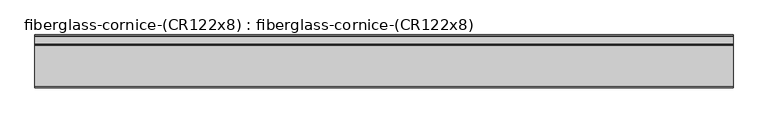
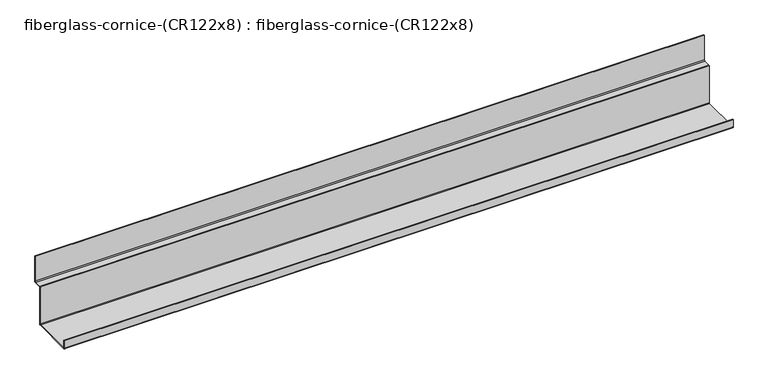
"""IFC4 building model written with IfcOpenShell, lengths in millimetres: furniture geometry, fiberglass-cornice-(CR122x8) : fiberglass-cornice-(CR122x8)."""

from ifc_helpers import new_model, si_unit, point, frame, frame_2d, origin, place, context, project, spatial, polyline, circle_curve, trimmed, segment, composite_curve, outline, extrude, source, transform, mapped, element, save


def fiberglass_cornice_cr122x8_fiberglass_cornice_cr122x8_eaaf3861(model_context):
    return source(origin(), model_context, "Body", "SweptSolid", [
        extrude(outline(composite_curve([segment(polyline([(402.9075, 330.1999904), (406.4, 330.1999904), (406.4, 168.2749904)]), True, "CONTINUOUS"), segment(trimmed(circle_curve(frame_2d((403.225, 168.2749904)), 3.175), [point((406.4, 168.2749904))], [point((403.225, 165.0999904))], False, "CARTESIAN"), True, "CONTINUOUS"), segment(polyline([(403.225, 165.0999904), (358.775, 165.0999904)]), True, "CONTINUOUS"), segment(trimmed(circle_curve(frame_2d((358.775, 161.9249904)), 3.175), [point((358.775, 165.0999904))], [point((355.6, 161.9249904))], True, "CARTESIAN"), True, "CONTINUOUS"), segment(polyline([(355.6, 161.9249904), (355.6, -73.0250096)]), True, "CONTINUOUS"), segment(trimmed(circle_curve(frame_2d((352.425, -73.0250096)), 3.175), [point((355.6, -73.0250096))], [point((352.425, -76.2000096))], False, "CARTESIAN"), True, "CONTINUOUS"), segment(polyline([(352.425, -76.2000096), (104.775, -76.2000096)]), True, "CONTINUOUS"), segment(trimmed(circle_curve(frame_2d((104.775, -73.0250096)), 3.175), [point((104.775, -76.2000096))], [point((101.6, -73.0250096))], False, "CARTESIAN"), True, "CONTINUOUS"), segment(polyline([(101.6, -73.0250096), (101.6, -25.4000096), (106.68, -25.4000096), (106.68, -68.2625096)]), True, "CONTINUOUS"), segment(trimmed(circle_curve(frame_2d((111.125, -68.2625096)), 4.445), [point((106.68, -68.2625096))], [point((111.125, -72.7075096))], True, "CARTESIAN"), True, "CONTINUOUS"), segment(polyline([(111.125, -72.7075096), (347.6625, -72.7075096)]), True, "CONTINUOUS"), segment(trimmed(circle_curve(frame_2d((347.6625, -68.2625096)), 4.445), [point((347.6625, -72.7075096))], [point((352.1075, -68.2625096))], True, "CARTESIAN"), True, "CONTINUOUS"), segment(polyline([(352.1075, -68.2625096), (352.1075, 166.6874904)]), True, "CONTINUOUS"), segment(trimmed(circle_curve(frame_2d((354.0125, 166.6874904)), 1.905), [point((352.1075, 166.6874904))], [point((354.0125, 168.5924904))], False, "CARTESIAN"), True, "CONTINUOUS"), segment(polyline([(354.0125, 168.5924904), (398.4625, 168.5924904)]), True, "CONTINUOUS"), segment(trimmed(circle_curve(frame_2d((398.4625, 173.0374904)), 4.445), [point((398.4625, 168.5924904))], [point((402.9075, 173.0374904))], True, "CARTESIAN"), True, "CONTINUOUS"), segment(polyline([(402.9075, 173.0374904), (402.9075, 330.1999904)]), True, "CONTINUOUS")], self_intersect=False)), frame((-2012.9498044, 0.0, 0.0), z_axis=(1.0, 0.0, 0.0), x_axis=(0.0, 1.0, 0.0)), (0.0, 0.0, 1.0), 4025.8996087),
    ])


if __name__ == "__main__":
    model = new_model("IFC4")
    model_context = context("Model", 3, world=origin())
    ifc_project = project(units=[si_unit("LENGTHUNIT", "METRE", prefix="MILLI")], contexts=[model_context])
    site = spatial("IfcSite", under=ifc_project)
    building = spatial("IfcBuilding", under=site)
    placement = place(None, origin())
    fiberglass_cornice_cr122x8_fiberglass_cornice_cr122x8_shape = fiberglass_cornice_cr122x8_fiberglass_cornice_cr122x8_eaaf3861(model_context)
    element("IfcFurniture", 1, ObjectType="fiberglass-cornice-(CR122x8) : fiberglass-cornice-(CR122x8)", at=placement, inside=building, context=model_context, shape_type="MappedRepresentation", body=[
        mapped(fiberglass_cornice_cr122x8_fiberglass_cornice_cr122x8_shape, transform((0.0, 0.0, 0.0), x_axis=(1.0, 0.0, 0.0), y_axis=(0.0, 1.0, 0.0), z_axis=(0.0, 0.0, 1.0))),
    ])
    save(model, "model.ifc")
